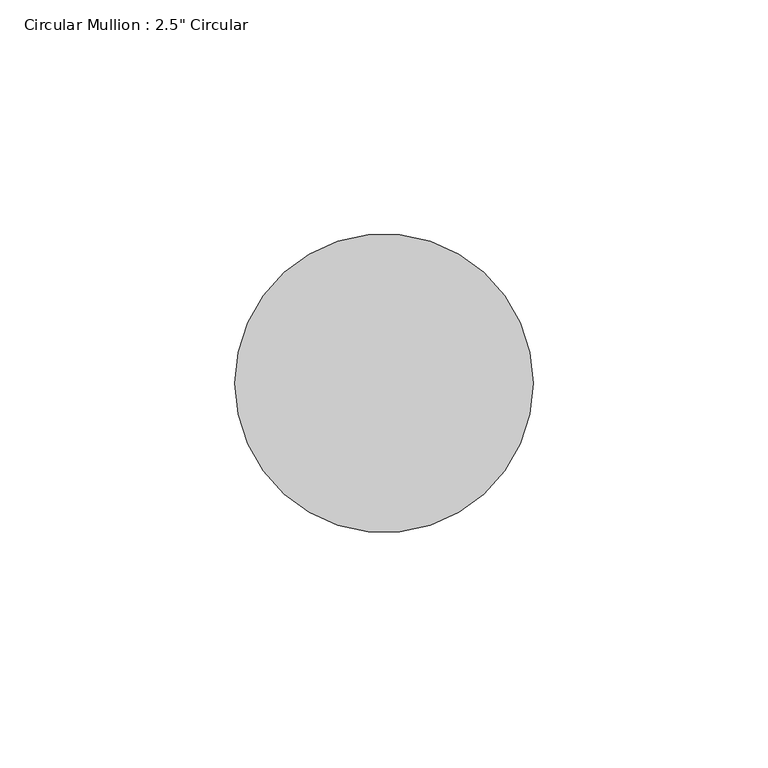
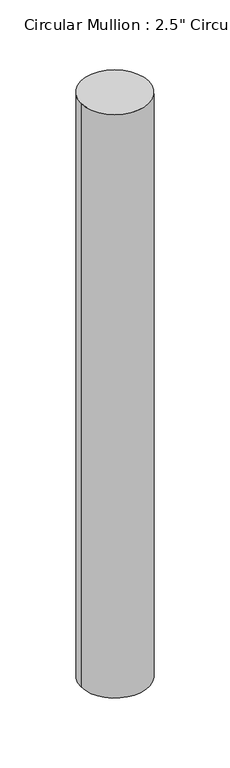
"""IFC4 building model written with IfcOpenShell, lengths in millimetres: member geometry."""

from ifc_helpers import new_model, si_unit, point, frame, origin, origin_2d, place, context, project, spatial, circle_curve, trimmed, segment, composite_curve, outline, extrude, source, transform, mapped, element, save


def member_ec893c74(model_context):
    return source(origin(), model_context, "Body", "SweptSolid", [
        extrude(outline(composite_curve([segment(trimmed(circle_curve(origin_2d(), 31.75), [point((31.75, 0.0))], [point((-31.75, 0.0))], False, "CARTESIAN"), True, "CONTINUOUS"), segment(trimmed(circle_curve(origin_2d(), 31.75), [point((-31.75, 0.0))], [point((31.75, 0.0))], False, "CARTESIAN"), True, "CONTINUOUS")], self_intersect=False)), frame((0.0, 0.0, -577.85), z_axis=(0.0, 0.0, 1.0), x_axis=(1.0, 0.0, 0.0)), (0.0, 0.0, 1.0), 577.85),
    ])


if __name__ == "__main__":
    model = new_model("IFC4")
    model_context = context("Model", 3, world=origin())
    ifc_project = project(units=[si_unit("LENGTHUNIT", "METRE", prefix="MILLI")], contexts=[model_context])
    site = spatial("IfcSite", under=ifc_project)
    building = spatial("IfcBuilding", under=site)
    placement = place(None, origin())
    member_shape = member_ec893c74(model_context)
    element("IfcMember", 1, ObjectType="Circular Mullion : 2.5\" Circular", at=placement, inside=building, context=model_context, shape_type="MappedRepresentation", body=[
        mapped(member_shape, transform((0.0, 0.0, 0.0), x_axis=(1.0, 0.0, 0.0), y_axis=(0.0, 1.0, 0.0), z_axis=(0.0, 0.0, 1.0))),
    ])
    save(model, "model.ifc")
